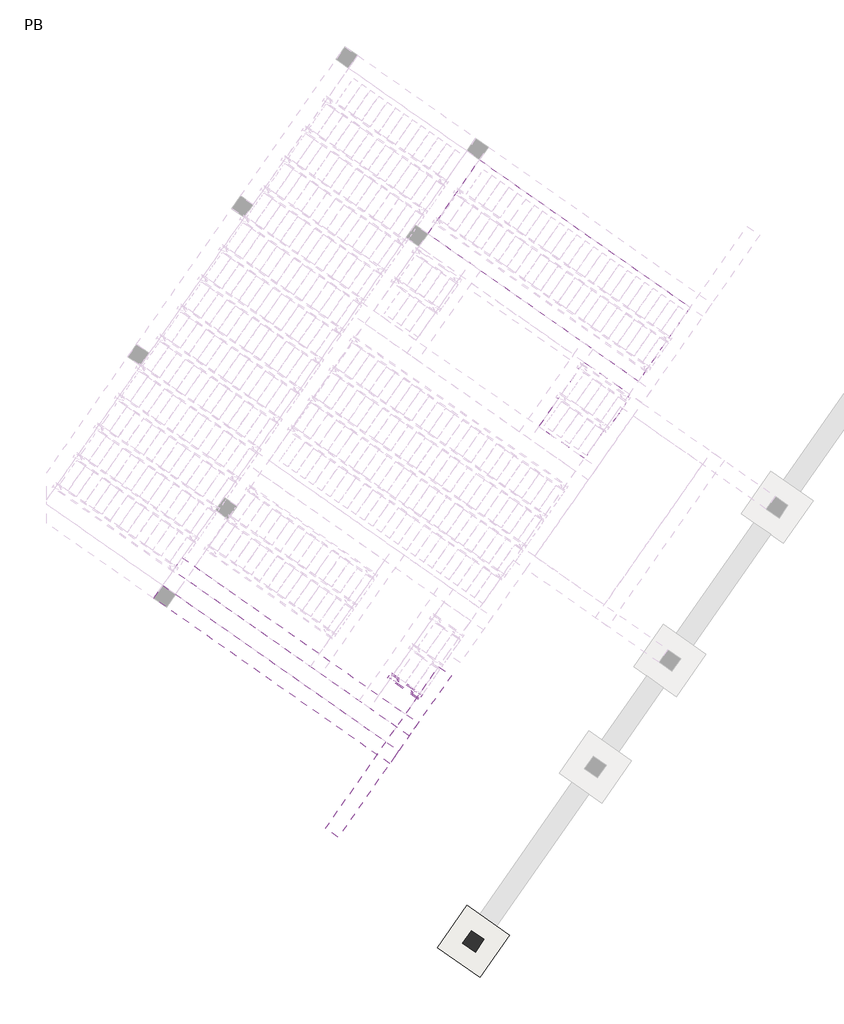
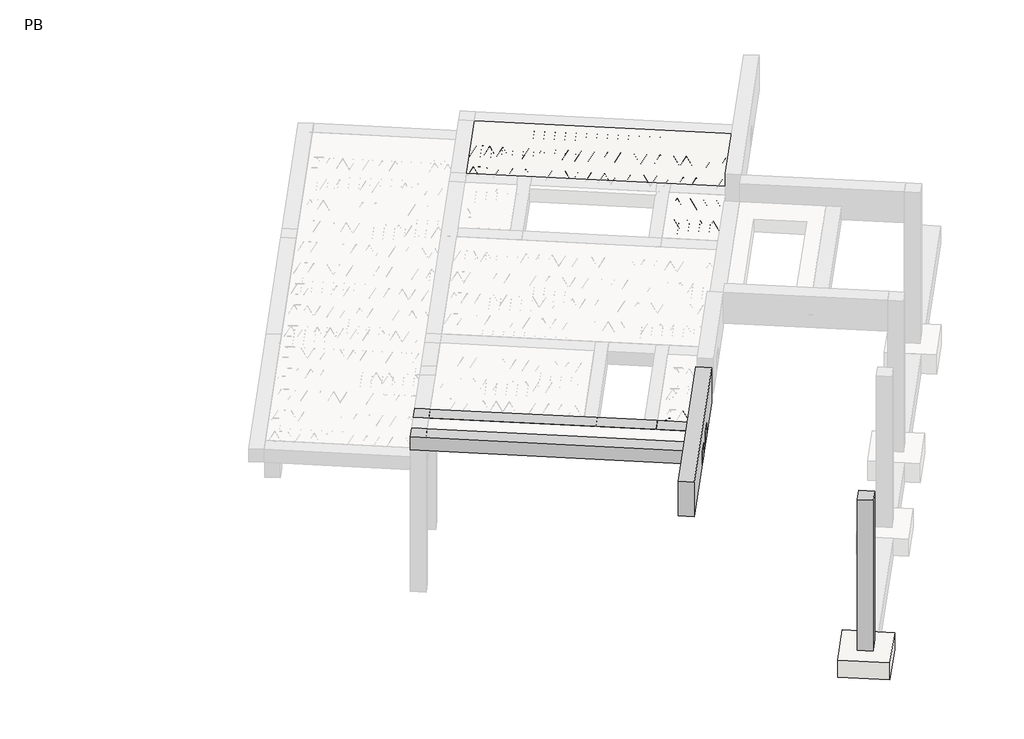
# One storey, part 3 of 56: 7 beams, 2 slabs, 1 column, 1 footing.
"""IFC4 building model written with IfcOpenShell, lengths in millimetres."""

from ifc_helpers import new_model, si_unit, point, frame, origin, origin_2d, place, context, project, spatial, polyline, circle_curve, trimmed, segment, composite_curve, outline, extrude, element, save

model = new_model("IFC4")

# Units and contexts
model_context = context("Model", 3, world=origin())
ifc_project = project(units=[si_unit("LENGTHUNIT", "METRE", prefix="MILLI")], contexts=[model_context])

# Site, building, storey
site = spatial("IfcSite", under=ifc_project)
building = spatial("IfcBuilding", under=site)
storey = spatial("IfcBuildingStorey", under=building, Name="PB", Elevation=95940.0)

# Beams
placement = place(None, origin())
element("IfcBeam", 1, at=placement, inside=storey, context=model_context, shape_type="SweptSolid", body=[
    extrude(outline(polyline([(5264.9045281, -1012.6849842), (5333.7337004, -914.3867388), (5932.0174238, -1333.309512), (5863.1882515, -1431.6077573), (5264.9045281, -1012.6849842)])), frame((0.0, 0.0, 99220.0), z_axis=(0.0, 0.0, 1.0), x_axis=(1.0, 0.0, 0.0)), (0.0, 0.0, 1.0), 50.0),
])
element("IfcBeam", 2, at=placement, inside=storey, context=model_context, shape_type="SweptSolid", body=[
    extrude(outline(composite_curve([segment(trimmed(circle_curve(origin_2d(), 2.5), [point((-2.5, 0.0))], [point((2.5, 0.0))], False, "CARTESIAN"), True, "CONTINUOUS"), segment(trimmed(circle_curve(origin_2d(), 2.5), [point((2.5, 0.0))], [point((-2.5, 0.0))], False, "CARTESIAN"), True, "CONTINUOUS")], self_intersect=False)), frame((5857.2944369, -1398.1822738, 99245.0), z_axis=(-0.8191520442696126, 0.5735764363787226, 0.0), x_axis=(0.5735764363787226, 0.8191520442696126, 0.0)), (0.0, 0.0, 1.0), 682.3695664),
    extrude(outline(composite_curve([segment(trimmed(circle_curve(origin_2d(), 2.5), [point((-2.5, 0.0))], [point((2.5, 0.0))], False, "CARTESIAN"), True, "CONTINUOUS"), segment(trimmed(circle_curve(origin_2d(), 2.5), [point((2.5, 0.0))], [point((-2.5, 0.0))], False, "CARTESIAN"), True, "CONTINUOUS")], self_intersect=False)), frame((5741.8125837, -1273.3731244, 99470.0), z_axis=(-0.8191520442696126, 0.5735764363787226, 0.0), x_axis=(0.5735764363787226, 0.8191520442696126, 0.0)), (0.0, 0.0, 1.0), 350.0),
    extrude(outline(composite_curve([segment(trimmed(circle_curve(origin_2d(), 2.5), [point((-2.5, 0.0))], [point((2.5, 0.0))], False, "CARTESIAN"), True, "CONTINUOUS"), segment(trimmed(circle_curve(origin_2d(), 2.5), [point((2.5, 0.0))], [point((-2.5, 0.0))], False, "CARTESIAN"), True, "CONTINUOUS")], self_intersect=False)), frame((5782.6002353, -1345.8808308, 99245.0), z_axis=(-0.3145304735701046, 0.38933448886848654, 0.8657304643902053), x_axis=(0.7778747638402499, 0.6284193279813057, 0.0)), (0.0, 0.0, 1.0), 259.8961331),
    extrude(outline(composite_curve([segment(trimmed(circle_curve(origin_2d(), 2.5), [point((2.5, 0.0))], [point((-2.5, 0.0))], False, "CARTESIAN"), True, "CONTINUOUS"), segment(trimmed(circle_curve(origin_2d(), 2.5), [point((-2.5, 0.0))], [point((2.5, 0.0))], False, "CARTESIAN"), True, "CONTINUOUS")], self_intersect=False)), frame((5577.8122242, -1202.4867217, 99245.0), z_axis=(0.47343050384693375, -0.16240172737369005, 0.8657304643902051), x_axis=(-0.3244721671091268, -0.9458952440791246, 0.0)), (0.0, 0.0, 1.0), 259.8961331),
    extrude(outline(composite_curve([segment(trimmed(circle_curve(origin_2d(), 2.5), [point((-2.5, 0.0))], [point((2.5, 1e-07))], False, "CARTESIAN"), True, "CONTINUOUS"), segment(trimmed(circle_curve(origin_2d(), 2.5), [point((2.5, 1e-07))], [point((-2.5, 0.0))], False, "CARTESIAN"), True, "CONTINUOUS")], self_intersect=False)), frame((5577.8122242, -1202.4867217, 99245.0), z_axis=(-0.3145304735701046, 0.38933448886848654, 0.8657304643902053), x_axis=(0.7778747638402499, 0.6284193279813057, 0.0)), (0.0, 0.0, 1.0), 259.8961331),
    extrude(outline(composite_curve([segment(trimmed(circle_curve(origin_2d(), 2.5), [point((2.5, -1e-07))], [point((-2.5, 0.0))], False, "CARTESIAN"), True, "CONTINUOUS"), segment(trimmed(circle_curve(origin_2d(), 2.5), [point((-2.5, 0.0))], [point((2.5, -1e-07))], False, "CARTESIAN"), True, "CONTINUOUS")], self_intersect=False)), frame((5373.0242132, -1059.0926126, 99245.0), z_axis=(0.47343050384693375, -0.16240172737369005, 0.8657304643902051), x_axis=(-0.3244721671091268, -0.9458952440791246, 0.0)), (0.0, 0.0, 1.0), 259.8961331),
    extrude(outline(composite_curve([segment(trimmed(circle_curve(origin_2d(), 2.5), [point((-2.5, 0.0))], [point((2.5, 0.0))], False, "CARTESIAN"), True, "CONTINUOUS"), segment(trimmed(circle_curve(origin_2d(), 2.5), [point((2.5, 0.0))], [point((-2.5, 0.0))], False, "CARTESIAN"), True, "CONTINUOUS")], self_intersect=False)), frame((5898.5919403, -1339.2033266, 99245.0), z_axis=(-0.8191520442696126, 0.5735764363787226, 0.0), x_axis=(0.5735764363787226, 0.8191520442696126, 0.0)), (0.0, 0.0, 1.0), 682.3695664),
    extrude(outline(composite_curve([segment(trimmed(circle_curve(origin_2d(), 2.5), [point((-2.5, 0.0))], [point((2.5, -1e-07))], False, "CARTESIAN"), True, "CONTINUOUS"), segment(trimmed(circle_curve(origin_2d(), 2.5), [point((2.5, -1e-07))], [point((-2.5, 0.0))], False, "CARTESIAN"), True, "CONTINUOUS")], self_intersect=False)), frame((5823.8977387, -1286.9018836, 99245.0), z_axis=(-0.47343050384693375, 0.16240172737369005, 0.8657304643902051), x_axis=(0.3244721671091268, 0.9458952440791246, 0.0)), (0.0, 0.0, 1.0), 259.8961331),
    extrude(outline(composite_curve([segment(trimmed(circle_curve(origin_2d(), 2.5), [point((2.5, 0.0))], [point((-2.5000001, 1e-07))], False, "CARTESIAN"), True, "CONTINUOUS"), segment(trimmed(circle_curve(origin_2d(), 2.5), [point((-2.5000001, 1e-07))], [point((2.5, 0.0))], False, "CARTESIAN"), True, "CONTINUOUS")], self_intersect=False)), frame((5619.1097276, -1143.5077745, 99245.0), z_axis=(0.3145304735701046, -0.38933448886848654, 0.8657304643902053), x_axis=(-0.7778747638402499, -0.6284193279813057, 0.0)), (0.0, 0.0, 1.0), 259.8961331),
    extrude(outline(composite_curve([segment(trimmed(circle_curve(origin_2d(), 2.5), [point((-2.5, 0.0))], [point((2.5, -1e-07))], False, "CARTESIAN"), True, "CONTINUOUS"), segment(trimmed(circle_curve(origin_2d(), 2.5), [point((2.5, -1e-07))], [point((-2.5, 0.0))], False, "CARTESIAN"), True, "CONTINUOUS")], self_intersect=False)), frame((5619.1097276, -1143.5077745, 99245.0), z_axis=(-0.47343050384693375, 0.16240172737369005, 0.8657304643902051), x_axis=(0.3244721671091268, 0.9458952440791246, 0.0)), (0.0, 0.0, 1.0), 259.8961331),
    extrude(outline(composite_curve([segment(trimmed(circle_curve(origin_2d(), 2.5), [point((2.5, 0.0))], [point((-2.5, 0.0))], False, "CARTESIAN"), True, "CONTINUOUS"), segment(trimmed(circle_curve(origin_2d(), 2.5), [point((-2.5, 0.0))], [point((2.5, 0.0))], False, "CARTESIAN"), True, "CONTINUOUS")], self_intersect=False)), frame((5414.3217166, -1000.1136654, 99245.0), z_axis=(0.3145304735701046, -0.38933448886848654, 0.8657304643902053), x_axis=(-0.7778747638402499, -0.6284193279813057, 0.0)), (0.0, 0.0, 1.0), 259.8961331),
])
element("IfcBeam", 3, at=placement, inside=storey, context=model_context, shape_type="SweptSolid", body=[
    extrude(outline(polyline([(5264.9045281, -1012.6849842), (5333.7337004, -914.3867388), (5932.0174238, -1333.309512), (5863.1882515, -1431.6077573), (5264.9045281, -1012.6849842)])), frame((0.0, 0.0, 99220.0), z_axis=(0.0, 0.0, 1.0), x_axis=(1.0, 0.0, 0.0)), (0.0, 0.0, 1.0), 50.0),
    extrude(outline(composite_curve([segment(trimmed(circle_curve(origin_2d(), 2.5), [point((-2.5, 0.0))], [point((2.5, 0.0))], False, "CARTESIAN"), True, "CONTINUOUS"), segment(trimmed(circle_curve(origin_2d(), 2.5), [point((2.5, 0.0))], [point((-2.5, 0.0))], False, "CARTESIAN"), True, "CONTINUOUS")], self_intersect=False)), frame((5857.2944369, -1398.1822738, 99245.0), z_axis=(-0.8191520442696126, 0.5735764363787226, 0.0), x_axis=(0.5735764363787226, 0.8191520442696126, 0.0)), (0.0, 0.0, 1.0), 682.3695664),
    extrude(outline(composite_curve([segment(trimmed(circle_curve(origin_2d(), 2.5), [point((-2.5, 0.0))], [point((2.5, 0.0))], False, "CARTESIAN"), True, "CONTINUOUS"), segment(trimmed(circle_curve(origin_2d(), 2.5), [point((2.5, 0.0))], [point((-2.5, 0.0))], False, "CARTESIAN"), True, "CONTINUOUS")], self_intersect=False)), frame((5741.8125837, -1273.3731244, 99470.0), z_axis=(-0.8191520442696126, 0.5735764363787226, 0.0), x_axis=(0.5735764363787226, 0.8191520442696126, 0.0)), (0.0, 0.0, 1.0), 350.0),
    extrude(outline(composite_curve([segment(trimmed(circle_curve(origin_2d(), 2.5), [point((-2.5, 0.0))], [point((2.5, 0.0))], False, "CARTESIAN"), True, "CONTINUOUS"), segment(trimmed(circle_curve(origin_2d(), 2.5), [point((2.5, 0.0))], [point((-2.5, 0.0))], False, "CARTESIAN"), True, "CONTINUOUS")], self_intersect=False)), frame((5782.6002353, -1345.8808308, 99245.0), z_axis=(-0.3145304735701046, 0.38933448886848654, 0.8657304643902053), x_axis=(0.7778747638402499, 0.6284193279813057, 0.0)), (0.0, 0.0, 1.0), 259.8961331),
    extrude(outline(composite_curve([segment(trimmed(circle_curve(origin_2d(), 2.5), [point((2.5, 0.0))], [point((-2.5, 0.0))], False, "CARTESIAN"), True, "CONTINUOUS"), segment(trimmed(circle_curve(origin_2d(), 2.5), [point((-2.5, 0.0))], [point((2.5, 0.0))], False, "CARTESIAN"), True, "CONTINUOUS")], self_intersect=False)), frame((5577.8122242, -1202.4867217, 99245.0), z_axis=(0.47343050384693375, -0.16240172737369005, 0.8657304643902051), x_axis=(-0.3244721671091268, -0.9458952440791246, 0.0)), (0.0, 0.0, 1.0), 259.8961331),
    extrude(outline(composite_curve([segment(trimmed(circle_curve(origin_2d(), 2.5), [point((-2.5, 0.0))], [point((2.5, 1e-07))], False, "CARTESIAN"), True, "CONTINUOUS"), segment(trimmed(circle_curve(origin_2d(), 2.5), [point((2.5, 1e-07))], [point((-2.5, 0.0))], False, "CARTESIAN"), True, "CONTINUOUS")], self_intersect=False)), frame((5577.8122242, -1202.4867217, 99245.0), z_axis=(-0.3145304735701046, 0.38933448886848654, 0.8657304643902053), x_axis=(0.7778747638402499, 0.6284193279813057, 0.0)), (0.0, 0.0, 1.0), 259.8961331),
    extrude(outline(composite_curve([segment(trimmed(circle_curve(origin_2d(), 2.5), [point((2.5, -1e-07))], [point((-2.5, 0.0))], False, "CARTESIAN"), True, "CONTINUOUS"), segment(trimmed(circle_curve(origin_2d(), 2.5), [point((-2.5, 0.0))], [point((2.5, -1e-07))], False, "CARTESIAN"), True, "CONTINUOUS")], self_intersect=False)), frame((5373.0242132, -1059.0926126, 99245.0), z_axis=(0.47343050384693375, -0.16240172737369005, 0.8657304643902051), x_axis=(-0.3244721671091268, -0.9458952440791246, 0.0)), (0.0, 0.0, 1.0), 259.8961331),
    extrude(outline(composite_curve([segment(trimmed(circle_curve(origin_2d(), 2.5), [point((-2.5, 0.0))], [point((2.5, 0.0))], False, "CARTESIAN"), True, "CONTINUOUS"), segment(trimmed(circle_curve(origin_2d(), 2.5), [point((2.5, 0.0))], [point((-2.5, 0.0))], False, "CARTESIAN"), True, "CONTINUOUS")], self_intersect=False)), frame((5898.5919403, -1339.2033266, 99245.0), z_axis=(-0.8191520442696126, 0.5735764363787226, 0.0), x_axis=(0.5735764363787226, 0.8191520442696126, 0.0)), (0.0, 0.0, 1.0), 682.3695664),
    extrude(outline(composite_curve([segment(trimmed(circle_curve(origin_2d(), 2.5), [point((-2.5, 0.0))], [point((2.5, -1e-07))], False, "CARTESIAN"), True, "CONTINUOUS"), segment(trimmed(circle_curve(origin_2d(), 2.5), [point((2.5, -1e-07))], [point((-2.5, 0.0))], False, "CARTESIAN"), True, "CONTINUOUS")], self_intersect=False)), frame((5823.8977387, -1286.9018836, 99245.0), z_axis=(-0.47343050384693375, 0.16240172737369005, 0.8657304643902051), x_axis=(0.3244721671091268, 0.9458952440791246, 0.0)), (0.0, 0.0, 1.0), 259.8961331),
    extrude(outline(composite_curve([segment(trimmed(circle_curve(origin_2d(), 2.5), [point((2.5, 0.0))], [point((-2.5000001, 1e-07))], False, "CARTESIAN"), True, "CONTINUOUS"), segment(trimmed(circle_curve(origin_2d(), 2.5), [point((-2.5000001, 1e-07))], [point((2.5, 0.0))], False, "CARTESIAN"), True, "CONTINUOUS")], self_intersect=False)), frame((5619.1097276, -1143.5077745, 99245.0), z_axis=(0.3145304735701046, -0.38933448886848654, 0.8657304643902053), x_axis=(-0.7778747638402499, -0.6284193279813057, 0.0)), (0.0, 0.0, 1.0), 259.8961331),
    extrude(outline(composite_curve([segment(trimmed(circle_curve(origin_2d(), 2.5), [point((-2.5, 0.0))], [point((2.5, -1e-07))], False, "CARTESIAN"), True, "CONTINUOUS"), segment(trimmed(circle_curve(origin_2d(), 2.5), [point((2.5, -1e-07))], [point((-2.5, 0.0))], False, "CARTESIAN"), True, "CONTINUOUS")], self_intersect=False)), frame((5619.1097276, -1143.5077745, 99245.0), z_axis=(-0.47343050384693375, 0.16240172737369005, 0.8657304643902051), x_axis=(0.3244721671091268, 0.9458952440791246, 0.0)), (0.0, 0.0, 1.0), 259.8961331),
    extrude(outline(composite_curve([segment(trimmed(circle_curve(origin_2d(), 2.5), [point((2.5, 0.0))], [point((-2.5, 0.0))], False, "CARTESIAN"), True, "CONTINUOUS"), segment(trimmed(circle_curve(origin_2d(), 2.5), [point((-2.5, 0.0))], [point((2.5, 0.0))], False, "CARTESIAN"), True, "CONTINUOUS")], self_intersect=False)), frame((5414.3217166, -1000.1136654, 99245.0), z_axis=(0.3145304735701046, -0.38933448886848654, 0.8657304643902053), x_axis=(-0.7778747638402499, -0.6284193279813057, 0.0)), (0.0, 0.0, 1.0), 259.8961331),
])
element("IfcBeam", 4, at=placement, inside=storey, context=model_context, shape_type="SweptSolid", body=[
    extrude(outline(polyline([(5666.4080335, -439.2785532), (5735.2372059, -340.9803079), (6333.5209293, -759.903081), (6264.6917569, -858.2013263), (5666.4080335, -439.2785532)])), frame((0.0, 0.0, 99220.0), z_axis=(0.0, 0.0, 1.0), x_axis=(1.0, 0.0, 0.0)), (0.0, 0.0, 1.0), 50.0),
])
element("IfcBeam", 5, at=placement, inside=storey, context=model_context, shape_type="SweptSolid", body=[
    extrude(outline(polyline([(4309.390725, -4086.5222963), (4063.6451118, -3914.4493653), (6248.9531176, -793.5060929), (6494.6987309, -965.5790239), (4309.390725, -4086.5222963)])), frame((0.0, 0.0, 99220.0), z_axis=(0.0, 0.0, 1.0), x_axis=(1.0, 0.0, 0.0)), (0.0, 0.0, 1.0), 800.0),
])
element("IfcBeam", 6, at=placement, inside=storey, context=model_context, shape_type="SweptSolid", body=[
    extrude(outline(polyline([(5476.9930202, -2419.0134058), (5304.9200893, -2664.7590191), (745.8851216, 527.5116325), (917.9580525, 773.2572458), (5476.9930202, -2419.0134058)])), frame((0.0, 0.0, 99220.0), z_axis=(0.0, 0.0, 1.0), x_axis=(1.0, 0.0, 0.0)), (0.0, 0.0, 1.0), 300.0),
])
element("IfcBeam", 7, at=placement, inside=storey, context=model_context, shape_type="SweptSolid", body=[
    extrude(outline(polyline([(1121.0000181, 1063.231219), (1293.072949, 1308.9768322), (5852.1079143, -1883.2938176), (5680.0349834, -2129.0394309), (1121.0000181, 1063.231219)])), frame((0.0, 0.0, 99220.0), z_axis=(0.0, 0.0, 1.0), x_axis=(1.0, 0.0, 0.0)), (0.0, 0.0, 1.0), 300.0),
])

# Column
element("IfcColumn", 8, ObjectType="DirectShapeType 3937", at=placement, inside=storey, context=model_context, shape_type="SweptSolid", body=[
    extrude(outline(polyline([(7127.273759, -6059.6252385), (6955.200828, -6305.3708518), (6709.4552148, -6133.2979209), (6881.5281457, -5887.5523076), (7127.273759, -6059.6252385)])), frame((0.0, 0.0, 96520.0), z_axis=(0.0, 0.0, 1.0), x_axis=(1.0, 0.0, 0.0)), (0.0, 0.0, 1.0), 3500.0),
])

# Footing
element("IfcFooting", 9, at=placement, inside=storey, context=model_context, shape_type="SweptSolid", body=[
    extrude(outline(polyline([(7614.7287272, -5973.6737758), (7041.1522908, -6792.82582), (6222.0002465, -6219.2493837), (6795.5766829, -5400.0973394), (7614.7287272, -5973.6737758)])), frame((0.0, 0.0, 96120.0), z_axis=(0.0, 0.0, 1.0), x_axis=(1.0, 0.0, 0.0)), (0.0, 0.0, 1.0), 400.0),
])

# Slabs
element("IfcSlab", 10, at=placement, inside=storey, context=model_context, shape_type="SweptSolid", body=[
    extrude(outline(polyline([(8516.0022556, 4401.7517888), (8584.831428, 4500.0500341), (9545.548973, 3827.3483669), (9476.7198006, 3729.0501216), (8516.0022556, 4401.7517888)])), frame((0.0, 0.0, 99220.0), z_axis=(0.0, 0.0, 1.0), x_axis=(1.0, 0.0, 0.0)), (0.0, 0.0, 1.0), 50.0),
    extrude(outline(polyline([(8917.5057611, 4975.1582198), (8986.3349334, 5073.4564651), (9947.0524785, 4400.7547979), (9878.2233061, 4302.4565526), (8917.5057611, 4975.1582198)])), frame((0.0, 0.0, 99220.0), z_axis=(0.0, 0.0, 1.0), x_axis=(1.0, 0.0, 0.0)), (0.0, 0.0, 1.0), 50.0),
    extrude(outline(polyline([(8184.9953527, 3841.8526022), (8988.0023637, 4988.6654642), (9055.3793799, 5084.8898156), (9934.1817213, 4469.5457915), (9931.3320559, 4465.4760475), (9759.259125, 4219.7304343), (9063.7976942, 3226.5085781), (8184.9953527, 3841.8526022)])), frame((0.0, 0.0, 99220.0), z_axis=(0.0, 0.0, 1.0), x_axis=(1.0, 0.0, 0.0)), (0.0, 0.0, 1.0), 300.0),
    extrude(outline(composite_curve([segment(trimmed(circle_curve(origin_2d(), 2.5), [point((-2.4999999, 0.0))], [point((2.5, 0.0))], False, "CARTESIAN"), True, "CONTINUOUS"), segment(trimmed(circle_curve(origin_2d(), 2.5), [point((2.5, 0.0))], [point((-2.4999999, 0.0))], False, "CARTESIAN"), True, "CONTINUOUS")], self_intersect=False)), frame((9470.825986, 3762.4756051, 99245.0), z_axis=(-0.8191520442696126, 0.5735764363787226, 0.0), x_axis=(0.5735764363787226, 0.8191520442696126, 0.0)), (0.0, 0.0, 1.0), 1124.819566),
    extrude(outline(composite_curve([segment(trimmed(circle_curve(origin_2d(), 2.5), [point((-2.4999999, 0.0))], [point((2.5, 0.0))], False, "CARTESIAN"), True, "CONTINUOUS"), segment(trimmed(circle_curve(origin_2d(), 2.5), [point((2.5, 0.0))], [point((-2.4999999, 0.0))], False, "CARTESIAN"), True, "CONTINUOUS")], self_intersect=False)), frame((9378.9152329, 3870.7800925, 99470.0), z_axis=(-0.8191520442696126, 0.5735764363787226, 0.0), x_axis=(0.5735764363787226, 0.8191520442696126, 0.0)), (0.0, 0.0, 1.0), 850.0),
    extrude(outline(composite_curve([segment(trimmed(circle_curve(origin_2d(), 2.5), [point((-2.5, -1e-07))], [point((2.5, 0.0))], False, "CARTESIAN"), True, "CONTINUOUS"), segment(trimmed(circle_curve(origin_2d(), 2.5), [point((2.5, 0.0))], [point((-2.5, -1e-07))], False, "CARTESIAN"), True, "CONTINUOUS")], self_intersect=False)), frame((9419.7028846, 3798.2723862, 99245.0), z_axis=(-0.3145304735701046, 0.38933448886848654, 0.8657304643902053), x_axis=(0.7778747638402499, 0.6284193279813057, 0.0)), (0.0, 0.0, 1.0), 259.8961331),
    extrude(outline(composite_curve([segment(trimmed(circle_curve(origin_2d(), 2.5), [point((2.5, 0.0))], [point((-2.5, 0.0))], False, "CARTESIAN"), True, "CONTINUOUS"), segment(trimmed(circle_curve(origin_2d(), 2.5), [point((-2.5, 0.0))], [point((2.5, 0.0))], False, "CARTESIAN"), True, "CONTINUOUS")], self_intersect=False)), frame((9214.9148735, 3941.6664953, 99245.0), z_axis=(0.47343050384693375, -0.16240172737369005, 0.8657304643902051), x_axis=(-0.3244721671091268, -0.9458952440791246, 0.0)), (0.0, 0.0, 1.0), 259.8961331),
    extrude(outline(composite_curve([segment(trimmed(circle_curve(origin_2d(), 2.5), [point((-2.5, 0.0))], [point((2.5, 0.0))], False, "CARTESIAN"), True, "CONTINUOUS"), segment(trimmed(circle_curve(origin_2d(), 2.5), [point((2.5, 0.0))], [point((-2.5, 0.0))], False, "CARTESIAN"), True, "CONTINUOUS")], self_intersect=False)), frame((9214.9148735, 3941.6664953, 99245.0), z_axis=(-0.3145304735701046, 0.38933448886848654, 0.8657304643902053), x_axis=(0.7778747638402499, 0.6284193279813057, 0.0)), (0.0, 0.0, 1.0), 259.8961331),
    extrude(outline(composite_curve([segment(trimmed(circle_curve(origin_2d(), 2.5), [point((2.5, 0.0))], [point((-2.5, 0.0))], False, "CARTESIAN"), True, "CONTINUOUS"), segment(trimmed(circle_curve(origin_2d(), 2.5), [point((-2.5, 0.0))], [point((2.5, 0.0))], False, "CARTESIAN"), True, "CONTINUOUS")], self_intersect=False)), frame((9010.1268624, 4085.0606044, 99245.0), z_axis=(0.47343050384693375, -0.16240172737369005, 0.8657304643902051), x_axis=(-0.3244721671091268, -0.9458952440791246, 0.0)), (0.0, 0.0, 1.0), 259.8961331),
    extrude(outline(composite_curve([segment(trimmed(circle_curve(origin_2d(), 2.5), [point((-2.5, -1e-07))], [point((2.5, 0.0))], False, "CARTESIAN"), True, "CONTINUOUS"), segment(trimmed(circle_curve(origin_2d(), 2.5), [point((2.5, 0.0))], [point((-2.5, -1e-07))], False, "CARTESIAN"), True, "CONTINUOUS")], self_intersect=False)), frame((9010.1268624, 4085.0606044, 99245.0), z_axis=(-0.3145304735701046, 0.38933448886848654, 0.8657304643902053), x_axis=(0.7778747638402499, 0.6284193279813057, 0.0)), (0.0, 0.0, 1.0), 259.8961331),
    extrude(outline(composite_curve([segment(trimmed(circle_curve(origin_2d(), 2.5), [point((2.5, -1e-07))], [point((-2.5, 0.0))], False, "CARTESIAN"), True, "CONTINUOUS"), segment(trimmed(circle_curve(origin_2d(), 2.5), [point((-2.5, 0.0))], [point((2.5, -1e-07))], False, "CARTESIAN"), True, "CONTINUOUS")], self_intersect=False)), frame((8805.3388514, 4228.4547135, 99245.0), z_axis=(0.47343050384693375, -0.16240172737369005, 0.8657304643902051), x_axis=(-0.3244721671091268, -0.9458952440791246, 0.0)), (0.0, 0.0, 1.0), 259.8961331),
    extrude(outline(composite_curve([segment(trimmed(circle_curve(origin_2d(), 2.5), [point((-2.5000001, 0.0))], [point((2.5, 0.0))], False, "CARTESIAN"), True, "CONTINUOUS"), segment(trimmed(circle_curve(origin_2d(), 2.5), [point((2.5, 0.0))], [point((-2.5000001, 0.0))], False, "CARTESIAN"), True, "CONTINUOUS")], self_intersect=False)), frame((8805.3388514, 4228.4547135, 99245.0), z_axis=(-0.3145304735701046, 0.38933448886848654, 0.8657304643902053), x_axis=(0.7778747638402499, 0.6284193279813057, 0.0)), (0.0, 0.0, 1.0), 259.8961331),
    extrude(outline(composite_curve([segment(trimmed(circle_curve(origin_2d(), 2.5), [point((2.5000001, 0.0))], [point((-2.5, 0.0))], False, "CARTESIAN"), True, "CONTINUOUS"), segment(trimmed(circle_curve(origin_2d(), 2.5), [point((-2.5, 0.0))], [point((2.5000001, 0.0))], False, "CARTESIAN"), True, "CONTINUOUS")], self_intersect=False)), frame((8600.5508403, 4371.8488226, 99245.0), z_axis=(0.47343050384693375, -0.16240172737369005, 0.8657304643902051), x_axis=(-0.3244721671091268, -0.9458952440791246, 0.0)), (0.0, 0.0, 1.0), 259.8961331),
    extrude(outline(composite_curve([segment(trimmed(circle_curve(origin_2d(), 2.5), [point((-2.5, 0.0))], [point((2.5, 0.0))], False, "CARTESIAN"), True, "CONTINUOUS"), segment(trimmed(circle_curve(origin_2d(), 2.5), [point((2.5, 0.0))], [point((-2.5, 0.0))], False, "CARTESIAN"), True, "CONTINUOUS")], self_intersect=False)), frame((9512.1234895, 3821.4545523, 99245.0), z_axis=(-0.8191520442696126, 0.5735764363787226, 0.0), x_axis=(0.5735764363787226, 0.8191520442696126, 0.0)), (0.0, 0.0, 1.0), 1124.819566),
    extrude(outline(composite_curve([segment(trimmed(circle_curve(origin_2d(), 2.5), [point((-2.5000001, 0.0))], [point((2.5, 0.0))], False, "CARTESIAN"), True, "CONTINUOUS"), segment(trimmed(circle_curve(origin_2d(), 2.5), [point((2.5, 0.0))], [point((-2.5000001, 0.0))], False, "CARTESIAN"), True, "CONTINUOUS")], self_intersect=False)), frame((9461.000388, 3857.2513334, 99245.0), z_axis=(-0.47343050384693375, 0.16240172737369005, 0.8657304643902051), x_axis=(0.3244721671091268, 0.9458952440791246, 0.0)), (0.0, 0.0, 1.0), 259.8961331),
    extrude(outline(composite_curve([segment(trimmed(circle_curve(origin_2d(), 2.5), [point((2.5, 1e-07))], [point((-2.5, 0.0))], False, "CARTESIAN"), True, "CONTINUOUS"), segment(trimmed(circle_curve(origin_2d(), 2.5), [point((-2.5, 0.0))], [point((2.5, 1e-07))], False, "CARTESIAN"), True, "CONTINUOUS")], self_intersect=False)), frame((9256.2123769, 4000.6454425, 99245.0), z_axis=(0.3145304735701046, -0.38933448886848654, 0.8657304643902053), x_axis=(-0.7778747638402499, -0.6284193279813057, 0.0)), (0.0, 0.0, 1.0), 259.8961331),
    extrude(outline(composite_curve([segment(trimmed(circle_curve(origin_2d(), 2.5), [point((-2.5, 0.0))], [point((2.5, 0.0))], False, "CARTESIAN"), True, "CONTINUOUS"), segment(trimmed(circle_curve(origin_2d(), 2.5), [point((2.5, 0.0))], [point((-2.5, 0.0))], False, "CARTESIAN"), True, "CONTINUOUS")], self_intersect=False)), frame((9256.2123769, 4000.6454425, 99245.0), z_axis=(-0.47343050384693375, 0.16240172737369005, 0.8657304643902051), x_axis=(0.3244721671091268, 0.9458952440791246, 0.0)), (0.0, 0.0, 1.0), 259.8961331),
    extrude(outline(composite_curve([segment(trimmed(circle_curve(origin_2d(), 2.5), [point((2.5, 1e-07))], [point((-2.5000001, 1e-07))], False, "CARTESIAN"), True, "CONTINUOUS"), segment(trimmed(circle_curve(origin_2d(), 2.5), [point((-2.5000001, 1e-07))], [point((2.5, 1e-07))], False, "CARTESIAN"), True, "CONTINUOUS")], self_intersect=False)), frame((9051.4243658, 4144.0395516, 99245.0), z_axis=(0.3145304735701046, -0.38933448886848654, 0.8657304643902053), x_axis=(-0.7778747638402499, -0.6284193279813057, 0.0)), (0.0, 0.0, 1.0), 259.8961331),
    extrude(outline(composite_curve([segment(trimmed(circle_curve(origin_2d(), 2.5), [point((-2.5000001, 0.0))], [point((2.5, -1e-07))], False, "CARTESIAN"), True, "CONTINUOUS"), segment(trimmed(circle_curve(origin_2d(), 2.5), [point((2.5, -1e-07))], [point((-2.5000001, 0.0))], False, "CARTESIAN"), True, "CONTINUOUS")], self_intersect=False)), frame((9051.4243658, 4144.0395516, 99245.0), z_axis=(-0.47343050384693375, 0.16240172737369005, 0.8657304643902051), x_axis=(0.3244721671091268, 0.9458952440791246, 0.0)), (0.0, 0.0, 1.0), 259.8961331),
    extrude(outline(composite_curve([segment(trimmed(circle_curve(origin_2d(), 2.5), [point((2.5, 1e-07))], [point((-2.5, 0.0))], False, "CARTESIAN"), True, "CONTINUOUS"), segment(trimmed(circle_curve(origin_2d(), 2.5), [point((-2.5, 0.0))], [point((2.5, 1e-07))], False, "CARTESIAN"), True, "CONTINUOUS")], self_intersect=False)), frame((8846.6363548, 4287.4336607, 99245.0), z_axis=(0.3145304735701046, -0.38933448886848654, 0.8657304643902053), x_axis=(-0.7778747638402499, -0.6284193279813057, 0.0)), (0.0, 0.0, 1.0), 259.8961331),
    extrude(outline(composite_curve([segment(trimmed(circle_curve(origin_2d(), 2.5), [point((-2.5000001, 0.0))], [point((2.5, 0.0))], False, "CARTESIAN"), True, "CONTINUOUS"), segment(trimmed(circle_curve(origin_2d(), 2.5), [point((2.5, 0.0))], [point((-2.5000001, 0.0))], False, "CARTESIAN"), True, "CONTINUOUS")], self_intersect=False)), frame((8846.6363548, 4287.4336607, 99245.0), z_axis=(-0.47343050384693375, 0.16240172737369005, 0.8657304643902051), x_axis=(0.3244721671091268, 0.9458952440791246, 0.0)), (0.0, 0.0, 1.0), 259.8961331),
    extrude(outline(composite_curve([segment(trimmed(circle_curve(origin_2d(), 2.5), [point((2.5, 0.0))], [point((-2.5, -1e-07))], False, "CARTESIAN"), True, "CONTINUOUS"), segment(trimmed(circle_curve(origin_2d(), 2.5), [point((-2.5, -1e-07))], [point((2.5, 0.0))], False, "CARTESIAN"), True, "CONTINUOUS")], self_intersect=False)), frame((8641.8483437, 4430.8277697, 99245.0), z_axis=(0.3145304735701046, -0.38933448886848654, 0.8657304643902053), x_axis=(-0.7778747638402499, -0.6284193279813057, 0.0)), (0.0, 0.0, 1.0), 259.8961331),
    extrude(outline(composite_curve([segment(trimmed(circle_curve(origin_2d(), 2.5), [point((-2.5, 0.0))], [point((2.5, 0.0))], False, "CARTESIAN"), True, "CONTINUOUS"), segment(trimmed(circle_curve(origin_2d(), 2.5), [point((2.5, 0.0))], [point((-2.5, 0.0))], False, "CARTESIAN"), True, "CONTINUOUS")], self_intersect=False)), frame((9872.3294915, 4335.8820361, 99245.0), z_axis=(-0.8191520442696126, 0.5735764363787226, 0.0), x_axis=(0.5735764363787226, 0.8191520442696126, 0.0)), (0.0, 0.0, 1.0), 1124.819566),
    extrude(outline(composite_curve([segment(trimmed(circle_curve(origin_2d(), 2.5), [point((-2.5, 0.0))], [point((2.5, 0.0))], False, "CARTESIAN"), True, "CONTINUOUS"), segment(trimmed(circle_curve(origin_2d(), 2.5), [point((2.5, 0.0))], [point((-2.5, 0.0))], False, "CARTESIAN"), True, "CONTINUOUS")], self_intersect=False)), frame((9780.4187384, 4444.1865235, 99470.0), z_axis=(-0.8191520442696126, 0.5735764363787226, 0.0), x_axis=(0.5735764363787226, 0.8191520442696126, 0.0)), (0.0, 0.0, 1.0), 850.0),
    extrude(outline(composite_curve([segment(trimmed(circle_curve(origin_2d(), 2.5), [point((-2.5, -1e-07))], [point((2.5, 0.0))], False, "CARTESIAN"), True, "CONTINUOUS"), segment(trimmed(circle_curve(origin_2d(), 2.5), [point((2.5, 0.0))], [point((-2.5, -1e-07))], False, "CARTESIAN"), True, "CONTINUOUS")], self_intersect=False)), frame((9821.20639, 4371.6788172, 99245.0), z_axis=(-0.3145304735701046, 0.38933448886848654, 0.8657304643902053), x_axis=(0.7778747638402499, 0.6284193279813057, 0.0)), (0.0, 0.0, 1.0), 259.8961331),
    extrude(outline(composite_curve([segment(trimmed(circle_curve(origin_2d(), 2.5), [point((2.5, -1e-07))], [point((-2.5, 0.0))], False, "CARTESIAN"), True, "CONTINUOUS"), segment(trimmed(circle_curve(origin_2d(), 2.5), [point((-2.5, 0.0))], [point((2.5, -1e-07))], False, "CARTESIAN"), True, "CONTINUOUS")], self_intersect=False)), frame((9616.418379, 4515.0729263, 99245.0), z_axis=(0.47343050384693375, -0.16240172737369005, 0.8657304643902051), x_axis=(-0.3244721671091268, -0.9458952440791246, 0.0)), (0.0, 0.0, 1.0), 259.8961331),
    extrude(outline(composite_curve([segment(trimmed(circle_curve(origin_2d(), 2.5), [point((-2.5000001, 0.0))], [point((2.5, 0.0))], False, "CARTESIAN"), True, "CONTINUOUS"), segment(trimmed(circle_curve(origin_2d(), 2.5), [point((2.5, 0.0))], [point((-2.5000001, 0.0))], False, "CARTESIAN"), True, "CONTINUOUS")], self_intersect=False)), frame((9616.418379, 4515.0729263, 99245.0), z_axis=(-0.3145304735701046, 0.38933448886848654, 0.8657304643902053), x_axis=(0.7778747638402499, 0.6284193279813057, 0.0)), (0.0, 0.0, 1.0), 259.8961331),
    extrude(outline(composite_curve([segment(trimmed(circle_curve(origin_2d(), 2.5), [point((2.5000001, 0.0))], [point((-2.5, 0.0))], False, "CARTESIAN"), True, "CONTINUOUS"), segment(trimmed(circle_curve(origin_2d(), 2.5), [point((-2.5, 0.0))], [point((2.5000001, 0.0))], False, "CARTESIAN"), True, "CONTINUOUS")], self_intersect=False)), frame((9411.6303679, 4658.4670354, 99245.0), z_axis=(0.47343050384693375, -0.16240172737369005, 0.8657304643902051), x_axis=(-0.3244721671091268, -0.9458952440791246, 0.0)), (0.0, 0.0, 1.0), 259.8961331),
    extrude(outline(composite_curve([segment(trimmed(circle_curve(origin_2d(), 2.5), [point((-2.5, -1e-07))], [point((2.5, 0.0))], False, "CARTESIAN"), True, "CONTINUOUS"), segment(trimmed(circle_curve(origin_2d(), 2.5), [point((2.5, 0.0))], [point((-2.5, -1e-07))], False, "CARTESIAN"), True, "CONTINUOUS")], self_intersect=False)), frame((9411.6303679, 4658.4670354, 99245.0), z_axis=(-0.3145304735701046, 0.38933448886848654, 0.8657304643902053), x_axis=(0.7778747638402499, 0.6284193279813057, 0.0)), (0.0, 0.0, 1.0), 259.8961331),
    extrude(outline(composite_curve([segment(trimmed(circle_curve(origin_2d(), 2.5), [point((2.5000001, 0.0))], [point((-2.5, 0.0))], False, "CARTESIAN"), True, "CONTINUOUS"), segment(trimmed(circle_curve(origin_2d(), 2.5), [point((-2.5, 0.0))], [point((2.5000001, 0.0))], False, "CARTESIAN"), True, "CONTINUOUS")], self_intersect=False)), frame((9206.8423568, 4801.8611445, 99245.0), z_axis=(0.47343050384693375, -0.16240172737369005, 0.8657304643902051), x_axis=(-0.3244721671091268, -0.9458952440791246, 0.0)), (0.0, 0.0, 1.0), 259.8961331),
    extrude(outline(composite_curve([segment(trimmed(circle_curve(origin_2d(), 2.5), [point((-2.5, -1e-07))], [point((2.5, 0.0))], False, "CARTESIAN"), True, "CONTINUOUS"), segment(trimmed(circle_curve(origin_2d(), 2.5), [point((2.5, 0.0))], [point((-2.5, -1e-07))], False, "CARTESIAN"), True, "CONTINUOUS")], self_intersect=False)), frame((9206.8423568, 4801.8611445, 99245.0), z_axis=(-0.3145304735701046, 0.38933448886848654, 0.8657304643902053), x_axis=(0.7778747638402499, 0.6284193279813057, 0.0)), (0.0, 0.0, 1.0), 259.8961331),
    extrude(outline(composite_curve([segment(trimmed(circle_curve(origin_2d(), 2.5), [point((2.5, -1e-07))], [point((-2.5000001, 0.0))], False, "CARTESIAN"), True, "CONTINUOUS"), segment(trimmed(circle_curve(origin_2d(), 2.5), [point((-2.5000001, 0.0))], [point((2.5, -1e-07))], False, "CARTESIAN"), True, "CONTINUOUS")], self_intersect=False)), frame((9002.0543458, 4945.2552535, 99245.0), z_axis=(0.47343050384693375, -0.16240172737369005, 0.8657304643902051), x_axis=(-0.3244721671091268, -0.9458952440791246, 0.0)), (0.0, 0.0, 1.0), 259.8961331),
    extrude(outline(composite_curve([segment(trimmed(circle_curve(origin_2d(), 2.5), [point((-2.5, 0.0))], [point((2.5, 0.0))], False, "CARTESIAN"), True, "CONTINUOUS"), segment(trimmed(circle_curve(origin_2d(), 2.5), [point((2.5, 0.0))], [point((-2.5, 0.0))], False, "CARTESIAN"), True, "CONTINUOUS")], self_intersect=False)), frame((9913.6269949, 4394.8609833, 99245.0), z_axis=(-0.8191520442696126, 0.5735764363787226, 0.0), x_axis=(0.5735764363787226, 0.8191520442696126, 0.0)), (0.0, 0.0, 1.0), 1124.819566),
    extrude(outline(composite_curve([segment(trimmed(circle_curve(origin_2d(), 2.5), [point((-2.5, 1e-07))], [point((2.5000001, 0.0))], False, "CARTESIAN"), True, "CONTINUOUS"), segment(trimmed(circle_curve(origin_2d(), 2.5), [point((2.5000001, 0.0))], [point((-2.5, 1e-07))], False, "CARTESIAN"), True, "CONTINUOUS")], self_intersect=False)), frame((9862.5038935, 4430.6577643, 99245.0), z_axis=(-0.47343050384693375, 0.16240172737369005, 0.8657304643902051), x_axis=(0.3244721671091268, 0.9458952440791246, 0.0)), (0.0, 0.0, 1.0), 259.8961331),
    extrude(outline(composite_curve([segment(trimmed(circle_curve(origin_2d(), 2.5), [point((2.5, 0.0))], [point((-2.5, -1e-07))], False, "CARTESIAN"), True, "CONTINUOUS"), segment(trimmed(circle_curve(origin_2d(), 2.5), [point((-2.5, -1e-07))], [point((2.5, 0.0))], False, "CARTESIAN"), True, "CONTINUOUS")], self_intersect=False)), frame((9657.7158824, 4574.0518734, 99245.0), z_axis=(0.3145304735701046, -0.38933448886848654, 0.8657304643902053), x_axis=(-0.7778747638402499, -0.6284193279813057, 0.0)), (0.0, 0.0, 1.0), 259.8961331),
    extrude(outline(composite_curve([segment(trimmed(circle_curve(origin_2d(), 2.5), [point((-2.5000001, 0.0))], [point((2.5, 0.0))], False, "CARTESIAN"), True, "CONTINUOUS"), segment(trimmed(circle_curve(origin_2d(), 2.5), [point((2.5, 0.0))], [point((-2.5000001, 0.0))], False, "CARTESIAN"), True, "CONTINUOUS")], self_intersect=False)), frame((9657.7158824, 4574.0518735, 99245.0), z_axis=(-0.47343050384693375, 0.16240172737369005, 0.8657304643902051), x_axis=(0.3244721671091268, 0.9458952440791246, 0.0)), (0.0, 0.0, 1.0), 259.8961331),
    extrude(outline(composite_curve([segment(trimmed(circle_curve(origin_2d(), 2.5), [point((2.5, 0.0))], [point((-2.5, -1e-07))], False, "CARTESIAN"), True, "CONTINUOUS"), segment(trimmed(circle_curve(origin_2d(), 2.5), [point((-2.5, -1e-07))], [point((2.5, 0.0))], False, "CARTESIAN"), True, "CONTINUOUS")], self_intersect=False)), frame((9452.9278713, 4717.4459825, 99245.0), z_axis=(0.3145304735701046, -0.38933448886848654, 0.8657304643902053), x_axis=(-0.7778747638402499, -0.6284193279813057, 0.0)), (0.0, 0.0, 1.0), 259.8961331),
    extrude(outline(composite_curve([segment(trimmed(circle_curve(origin_2d(), 2.5), [point((-2.5, 0.0))], [point((2.5000001, 0.0))], False, "CARTESIAN"), True, "CONTINUOUS"), segment(trimmed(circle_curve(origin_2d(), 2.5), [point((2.5000001, 0.0))], [point((-2.5, 0.0))], False, "CARTESIAN"), True, "CONTINUOUS")], self_intersect=False)), frame((9452.9278713, 4717.4459825, 99245.0), z_axis=(-0.47343050384693375, 0.16240172737369005, 0.8657304643902051), x_axis=(0.3244721671091268, 0.9458952440791246, 0.0)), (0.0, 0.0, 1.0), 259.8961331),
    extrude(outline(composite_curve([segment(trimmed(circle_curve(origin_2d(), 2.5), [point((2.5, 0.0))], [point((-2.5, -1e-07))], False, "CARTESIAN"), True, "CONTINUOUS"), segment(trimmed(circle_curve(origin_2d(), 2.5), [point((-2.5, -1e-07))], [point((2.5, 0.0))], False, "CARTESIAN"), True, "CONTINUOUS")], self_intersect=False)), frame((9248.1398602, 4860.8400916, 99245.0), z_axis=(0.3145304735701046, -0.38933448886848654, 0.8657304643902053), x_axis=(-0.7778747638402499, -0.6284193279813057, 0.0)), (0.0, 0.0, 1.0), 259.8961331),
    extrude(outline(composite_curve([segment(trimmed(circle_curve(origin_2d(), 2.5), [point((-2.5, 0.0))], [point((2.5000001, 0.0))], False, "CARTESIAN"), True, "CONTINUOUS"), segment(trimmed(circle_curve(origin_2d(), 2.5), [point((2.5000001, 0.0))], [point((-2.5, 0.0))], False, "CARTESIAN"), True, "CONTINUOUS")], self_intersect=False)), frame((9248.1398602, 4860.8400916, 99245.0), z_axis=(-0.47343050384693375, 0.16240172737369005, 0.8657304643902051), x_axis=(0.3244721671091268, 0.9458952440791246, 0.0)), (0.0, 0.0, 1.0), 259.8961331),
    extrude(outline(composite_curve([segment(trimmed(circle_curve(origin_2d(), 2.5), [point((2.5, 0.0))], [point((-2.5, -1e-07))], False, "CARTESIAN"), True, "CONTINUOUS"), segment(trimmed(circle_curve(origin_2d(), 2.5), [point((-2.5, -1e-07))], [point((2.5, 0.0))], False, "CARTESIAN"), True, "CONTINUOUS")], self_intersect=False)), frame((9043.3518492, 5004.2342007, 99245.0), z_axis=(0.3145304735701046, -0.38933448886848654, 0.8657304643902053), x_axis=(-0.7778747638402499, -0.6284193279813057, 0.0)), (0.0, 0.0, 1.0), 259.8961331),
    extrude(outline(polyline([(289.9999999, -125.0), (-290.0, -125.0), (-290.0, 125.0), (289.9999999, 125.0), (289.9999999, -125.0)]), holes=[polyline([(-269.9999999, -105.0), (-155.0, -105.0), (-155.0, 105.0), (-269.9999999, 105.0), (-269.9999999, 42.5), (-269.9999999, -105.0)]), polyline([(-10.0, -105.0), (-10.0, 105.0), (-135.0, 105.0), (-135.0, -105.0), (-10.0, -105.0)]), polyline([(135.0, 105.0), (10.0, 105.0), (10.0, -105.0), (135.0, -105.0), (135.0, 105.0)]), polyline([(270.0, -105.0), (270.0, 42.5), (270.0, 105.0), (155.0, 105.0), (155.0, -105.0), (270.0, -105.0)])]), frame((9269.7118201, 3520.5844266, 99345.0), z_axis=(-0.8191520442696126, 0.5735764363787226, 0.0), x_axis=(0.5735764363787226, 0.8191520442696126, 0.0)), (0.0, 0.0, 1.0), 195.0),
    extrude(outline(polyline([(290.0, -125.0), (-290.0, -125.0), (-290.0, 125.0), (290.0, 125.0), (290.0, -125.0)]), holes=[polyline([(-270.0, -105.0), (-155.0, -105.0), (-155.0, 105.0), (-270.0, 105.0), (-270.0, 42.5), (-270.0, -105.0)]), polyline([(-10.0, -105.0), (-10.0, 105.0), (-135.0, 105.0), (-135.0, -105.0), (-10.0, -105.0)]), polyline([(135.0, 105.0), (10.0, 105.0), (10.0, -105.0), (135.0, -105.0), (135.0, 105.0)]), polyline([(270.0, -105.0), (270.0, 42.5), (270.0, 105.0), (155.0, 105.0), (155.0, -105.0), (270.0, -105.0)])]), frame((9105.8814112, 3635.2997139, 99345.0), z_axis=(-0.8191520442696126, 0.5735764363787226, 0.0), x_axis=(0.5735764363787226, 0.8191520442696126, 0.0)), (0.0, 0.0, 1.0), 195.0),
    extrude(outline(polyline([(289.9999999, -125.0), (-290.0000001, -125.0), (-290.0000001, 125.0), (289.9999999, 125.0), (289.9999999, -125.0)]), holes=[polyline([(-270.0, -105.0), (-155.0000001, -105.0), (-155.0000001, 105.0), (-270.0, 105.0), (-270.0, 42.5), (-270.0, -105.0)]), polyline([(-10.0000001, -105.0), (-10.0000001, 105.0), (-135.0, 105.0), (-135.0, -105.0), (-10.0000001, -105.0)]), polyline([(134.9999999, 105.0), (9.9999999, 105.0), (9.9999999, -105.0), (134.9999999, -105.0), (134.9999999, 105.0)]), polyline([(269.9999999, -105.0), (269.9999999, 42.5), (269.9999999, 105.0), (154.9999999, 105.0), (154.9999999, -105.0), (269.9999999, -105.0)])]), frame((8942.0510024, 3750.0150012, 99345.0), z_axis=(-0.8191520442696126, 0.5735764363787226, 0.0), x_axis=(0.5735764363787226, 0.8191520442696126, 0.0)), (0.0, 0.0, 1.0), 195.0),
    extrude(outline(polyline([(290.0000001, -125.0), (-289.9999999, -125.0), (-289.9999999, 125.0), (290.0000001, 125.0), (290.0000001, -125.0)]), holes=[polyline([(-269.9999999, -105.0), (-154.9999999, -105.0), (-154.9999999, 105.0), (-269.9999999, 105.0), (-269.9999999, 42.5), (-269.9999999, -105.0)]), polyline([(-9.9999999, -105.0), (-9.9999999, 105.0), (-134.9999999, 105.0), (-134.9999999, -105.0), (-9.9999999, -105.0)]), polyline([(135.0, 105.0), (10.0000001, 105.0), (10.0000001, -105.0), (135.0, -105.0), (135.0, 105.0)]), polyline([(270.0000001, -105.0), (270.0000001, 42.5), (270.0000001, 105.0), (155.0000001, 105.0), (155.0000001, -105.0), (270.0000001, -105.0)])]), frame((8778.2205935, 3864.7302884, 99345.0), z_axis=(-0.8191520442696126, 0.5735764363787226, 0.0), x_axis=(0.5735764363787226, 0.8191520442696126, 0.0)), (0.0, 0.0, 1.0), 195.0),
    extrude(outline(polyline([(289.9999999, -125.0), (-290.0, -125.0), (-290.0, 125.0), (289.9999999, 125.0), (289.9999999, -125.0)]), holes=[polyline([(-269.9999999, -105.0), (-155.0000001, -105.0), (-155.0000001, 105.0), (-269.9999999, 105.0), (-269.9999999, 42.5), (-269.9999999, -105.0)]), polyline([(-10.0, -105.0), (-10.0, 105.0), (-135.0, 105.0), (-135.0, -105.0), (-10.0, -105.0)]), polyline([(135.0, 105.0), (10.0, 105.0), (10.0, -105.0), (135.0, -105.0), (135.0, 105.0)]), polyline([(270.0, -105.0), (270.0, 42.5), (270.0, 105.0), (155.0, 105.0), (155.0, -105.0), (270.0, -105.0)])]), frame((8614.3901847, 3979.4455757, 99345.0), z_axis=(-0.8191520442696126, 0.5735764363787226, 0.0), x_axis=(0.5735764363787226, 0.8191520442696126, 0.0)), (0.0, 0.0, 1.0), 195.0),
    extrude(outline(polyline([(289.9999999, -125.0), (-290.0000001, -125.0), (-290.0000001, 125.0), (289.9999999, 125.0), (289.9999999, -125.0)]), holes=[polyline([(-270.0000001, -105.0), (-155.0000001, -105.0), (-155.0000001, 105.0), (-270.0000001, 105.0), (-270.0000001, 42.5), (-270.0000001, -105.0)]), polyline([(-10.0000001, -105.0), (-10.0000001, 105.0), (-135.0000001, 105.0), (-135.0000001, -105.0), (-10.0000001, -105.0)]), polyline([(134.9999999, 105.0), (9.9999999, 105.0), (9.9999999, -105.0), (134.9999999, -105.0), (134.9999999, 105.0)]), polyline([(269.9999999, -105.0), (269.9999999, 42.5), (269.9999999, 105.0), (154.9999999, 105.0), (154.9999999, -105.0), (269.9999999, -105.0)])]), frame((9711.8861396, 4064.9024598, 99345.0), z_axis=(-0.8191520442696126, 0.5735764363787226, 0.0), x_axis=(0.5735764363787226, 0.8191520442696126, 0.0)), (0.0, 0.0, 1.0), 195.0),
    extrude(outline(polyline([(290.0, -125.0), (-290.0, -125.0), (-290.0, 125.0), (290.0, 125.0), (290.0, -125.0)]), holes=[polyline([(-269.9999999, -105.0), (-154.9999999, -105.0), (-154.9999999, 105.0), (-269.9999999, 105.0), (-269.9999999, 42.5), (-269.9999999, -105.0)]), polyline([(-10.0, -105.0), (-10.0, 105.0), (-134.9999999, 105.0), (-134.9999999, -105.0), (-10.0, -105.0)]), polyline([(135.0, 105.0), (10.0000001, 105.0), (10.0000001, -105.0), (135.0, -105.0), (135.0, 105.0)]), polyline([(270.0, -105.0), (270.0, 42.5), (270.0, 105.0), (155.0, 105.0), (155.0, -105.0), (270.0, -105.0)])]), frame((9548.0557307, 4179.617747, 99345.0), z_axis=(-0.8191520442696126, 0.5735764363787226, 0.0), x_axis=(0.5735764363787226, 0.8191520442696126, 0.0)), (0.0, 0.0, 1.0), 195.0),
    extrude(outline(polyline([(290.0, -125.0), (-289.9999999, -125.0), (-289.9999999, 125.0), (290.0, 125.0), (290.0, -125.0)]), holes=[polyline([(-269.9999999, -105.0), (-155.0, -105.0), (-155.0, 105.0), (-269.9999999, 105.0), (-269.9999999, 42.5), (-269.9999999, -105.0)]), polyline([(-9.9999999, -105.0), (-9.9999999, 105.0), (-135.0, 105.0), (-135.0, -105.0), (-9.9999999, -105.0)]), polyline([(135.0000001, 105.0), (10.0, 105.0), (10.0, -105.0), (135.0000001, -105.0), (135.0000001, 105.0)]), polyline([(270.0000001, -105.0), (270.0000001, 42.5), (270.0000001, 105.0), (155.0000001, 105.0), (155.0000001, -105.0), (270.0000001, -105.0)])]), frame((9384.2253218, 4294.3330343, 99345.0), z_axis=(-0.8191520442696126, 0.5735764363787226, 0.0), x_axis=(0.5735764363787226, 0.8191520442696126, 0.0)), (0.0, 0.0, 1.0), 195.0),
    extrude(outline(polyline([(289.9999999, -125.0), (-290.0000001, -125.0), (-290.0000001, 125.0), (289.9999999, 125.0), (289.9999999, -125.0)]), holes=[polyline([(-270.0, -105.0), (-155.0, -105.0), (-155.0, 105.0), (-270.0, 105.0), (-270.0, 42.5), (-270.0, -105.0)]), polyline([(-10.0000001, -105.0), (-10.0000001, 105.0), (-135.0, 105.0), (-135.0, -105.0), (-10.0000001, -105.0)]), polyline([(135.0, 105.0), (10.0, 105.0), (10.0, -105.0), (135.0, -105.0), (135.0, 105.0)]), polyline([(269.9999999, -105.0), (269.9999999, 42.5), (269.9999999, 105.0), (154.9999999, 105.0), (154.9999999, -105.0), (269.9999999, -105.0)])]), frame((9220.394913, 4409.0483216, 99345.0), z_axis=(-0.8191520442696126, 0.5735764363787226, 0.0), x_axis=(0.5735764363787226, 0.8191520442696126, 0.0)), (0.0, 0.0, 1.0), 195.0),
    extrude(outline(polyline([(290.0, -125.0), (-290.0, -125.0), (-290.0, 125.0), (290.0, 125.0), (290.0, -125.0)]), holes=[polyline([(-270.0, -105.0), (-155.0, -105.0), (-155.0, 105.0), (-270.0, 105.0), (-270.0, 42.5), (-270.0, -105.0)]), polyline([(-10.0, -105.0), (-10.0, 105.0), (-135.0, 105.0), (-135.0, -105.0), (-10.0, -105.0)]), polyline([(134.9999999, 105.0), (10.0, 105.0), (10.0, -105.0), (134.9999999, -105.0), (134.9999999, 105.0)]), polyline([(270.0, -105.0), (270.0, 42.5), (270.0, 105.0), (155.0, 105.0), (155.0, -105.0), (270.0, -105.0)])]), frame((9056.5645041, 4523.7636089, 99345.0), z_axis=(-0.8191520442696126, 0.5735764363787226, 0.0), x_axis=(0.5735764363787226, 0.8191520442696126, 0.0)), (0.0, 0.0, 1.0), 195.0),
])
element("IfcSlab", 11, ObjectType="DirectShapeType 1092", at=placement, inside=storey, context=model_context, shape_type="SweptSolid", body=[
    extrude(outline(polyline([(6038.7109135, 7563.4161928), (7036.7521279, 8988.7667637), (11104.2958666, 6140.6419756), (10106.2546522, 4715.2914048), (6038.7109135, 7563.4161928)])), frame((0.0, 0.0, 99220.0), z_axis=(0.0, 0.0, 1.0), x_axis=(1.0, 0.0, 0.0)), (0.0, 0.0, 1.0), 300.0),
])

save(model, "model.ifc")
